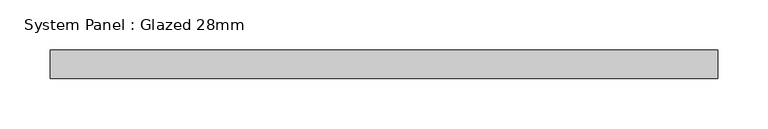
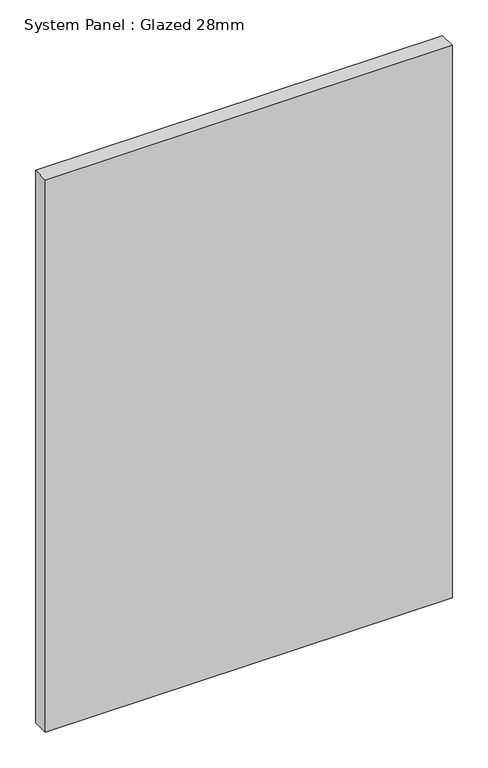
"""IFC4 building model written with IfcOpenShell, lengths in millimetres: plate geometry, System Panel : Glazed 28mm."""

from ifc_helpers import new_model, si_unit, origin, origin_with_axes, place, context, project, spatial, polyline, outline, extrude, source, transform, mapped, element, save


def system_panel_glazed_28mm_c4a209ba(model_context):
    return source(origin(), model_context, "Body", "SweptSolid", [
        extrude(outline(polyline([(330.9959689, -14.0), (-330.9959689, -14.0), (-330.9959689, 14.0), (330.9959689, 14.0), (330.9959689, -14.0)])), origin_with_axes(), (0.0, 0.0, 1.0), 948.6794583),
    ])


if __name__ == "__main__":
    model = new_model("IFC4")
    model_context = context("Model", 3, world=origin())
    ifc_project = project(units=[si_unit("LENGTHUNIT", "METRE", prefix="MILLI")], contexts=[model_context])
    site = spatial("IfcSite", under=ifc_project)
    building = spatial("IfcBuilding", under=site)
    placement = place(None, origin())
    system_panel_glazed_28mm_shape = system_panel_glazed_28mm_c4a209ba(model_context)
    element("IfcPlate", 1, ObjectType="System Panel : Glazed 28mm", at=placement, inside=building, context=model_context, shape_type="MappedRepresentation", body=[
        mapped(system_panel_glazed_28mm_shape, transform((0.0, 0.0, 0.0), x_axis=(1.0, 0.0, 0.0), y_axis=(0.0, 1.0, 0.0), z_axis=(0.0, 0.0, 1.0))),
    ])
    save(model, "model.ifc")
